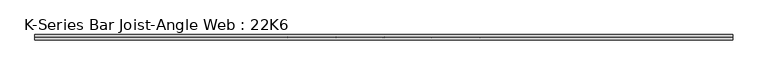
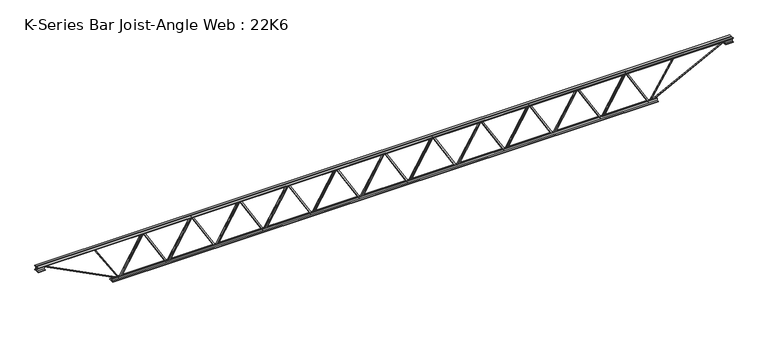
"""IFC4 building model written with IfcOpenShell, lengths in millimetres: beam geometry, K-Series Bar Joist-Angle Web : 22K6."""

from ifc_helpers import new_model, si_unit, frame, origin, place, context, project, spatial, polyline, outline, extrude, faceted_brep, source, transform, mapped, element, save


def k_series_bar_joist_angle_web_22k6_c5252af4(model_context):
    return source(origin(), model_context, "Body", "SolidModel", [
        extrude(outline(polyline([(-4.7625, 4.7625), (-4.7625, 0.0), (-17.4625, 0.0), (-17.4625, 4.7625), (-4.7625, 4.7625)])), frame((2917.960429, 0.0, -241.3), z_axis=(-0.5087293121266506, 0.0, 0.8609265282143099), x_axis=(0.0, -1.0, 0.0)), (0.0, 0.0, 1.0), 560.5588679),
        extrude(outline(polyline([(-276.225, 2950.3831818), (-257.175, 2950.3831818), (-257.175, 2949.4684346), (276.225, 2634.2775255), (276.225, 2616.1422727), (257.175, 2616.1422727), (257.175, 2623.40702), (-276.225, 2938.597929), (-276.225, 2950.3831818)])), frame((0.0, 0.0, 0.0), z_axis=(0.0, 1.0, 0.0), x_axis=(0.0, 0.0, 1.0)), (0.0, 0.0, 1.0), 4.7625),
        faceted_brep([(2294.6013636, 0.0, -257.175), (2294.6013636, 0.0, -276.225), (2294.6013636, -4.7625, -276.225), (2294.6013636, -4.7625, -257.175), (2295.5161109, 0.0, -257.175), (2610.70702, 0.0, 276.225), (2628.8422727, 0.0, 276.225), (2628.8422727, 0.0, 257.175), (2621.5775255, 0.0, 257.175), (2306.3866164, 0.0, -276.225), (2306.3866164, -4.7625, -276.225), (2327.0241164, -4.7625, -241.3), (2322.9239538, -4.7625, -238.8771767), (2608.0966811, -4.7625, 243.7228233), (2612.1968437, -4.7625, 241.3), (2621.5775255, -4.7625, 257.175), (2628.8422727, -4.7625, 257.175), (2628.8422727, -4.7625, 276.225), (2610.70702, -4.7625, 276.225), (2295.5161109, -4.7625, -257.175), (2612.1968437, -17.4625, 241.3), (2327.0241164, -17.4625, -241.3), (2322.9239538, -17.4625, -238.8771767), (2608.0966811, -17.4625, 243.7228233)], [[[0, 1, 2, 3]], [[1, 0, 4, 5, 6, 7, 8, 9]], [[2, 1, 9, 10]], [[3, 2, 10, 11, 12, 13, 14, 15, 16, 17, 18, 19]], [[0, 3, 19, 4]], [[9, 8, 15, 14, 20, 21, 11, 10]], [[5, 4, 19, 18]], [[7, 6, 17, 16]], [[8, 7, 16, 15]], [[6, 5, 18, 17]], [[21, 22, 12, 11]], [[20, 14, 13, 23]], [[22, 21, 20, 23]], [[12, 22, 23, 13]]]),
        extrude(outline(polyline([(-4.7625, 4.7625), (-4.7625, 0.0), (-17.4625, 0.0), (-17.4625, 4.7625), (-4.7625, 4.7625)])), frame((2262.3373609, 0.0, -241.3), z_axis=(-0.5087293121266506, 0.0, 0.8609265282143099), x_axis=(0.0, -1.0, 0.0)), (0.0, 0.0, 1.0), 560.5588679),
        extrude(outline(polyline([(-276.225, 2294.7601136), (-257.175, 2294.7601136), (-257.175, 2293.8453664), (276.225, 1978.6544573), (276.225, 1960.5192045), (257.175, 1960.5192045), (257.175, 1967.7839518), (-276.225, 2282.9748609), (-276.225, 2294.7601136)])), frame((0.0, 0.0, 0.0), z_axis=(0.0, 1.0, 0.0), x_axis=(0.0, 0.0, 1.0)), (0.0, 0.0, 1.0), 4.7625),
        faceted_brep([(1638.9782955, 0.0, -257.175), (1638.9782955, 0.0, -276.225), (1638.9782955, -4.7625, -276.225), (1638.9782955, -4.7625, -257.175), (1639.8930427, 0.0, -257.175), (1955.0839518, 0.0, 276.225), (1973.2192045, 0.0, 276.225), (1973.2192045, 0.0, 257.175), (1965.9544573, 0.0, 257.175), (1650.7635482, 0.0, -276.225), (1650.7635482, -4.7625, -276.225), (1671.4010482, -4.7625, -241.3), (1667.3008856, -4.7625, -238.8771767), (1952.4736129, -4.7625, 243.7228233), (1956.5737755, -4.7625, 241.3), (1965.9544573, -4.7625, 257.175), (1973.2192045, -4.7625, 257.175), (1973.2192045, -4.7625, 276.225), (1955.0839518, -4.7625, 276.225), (1639.8930427, -4.7625, -257.175), (1956.5737755, -17.4625, 241.3), (1671.4010482, -17.4625, -241.3), (1667.3008856, -17.4625, -238.8771767), (1952.4736129, -17.4625, 243.7228233)], [[[0, 1, 2, 3]], [[1, 0, 4, 5, 6, 7, 8, 9]], [[2, 1, 9, 10]], [[3, 2, 10, 11, 12, 13, 14, 15, 16, 17, 18, 19]], [[0, 3, 19, 4]], [[9, 8, 15, 14, 20, 21, 11, 10]], [[5, 4, 19, 18]], [[7, 6, 17, 16]], [[8, 7, 16, 15]], [[6, 5, 18, 17]], [[21, 22, 12, 11]], [[20, 14, 13, 23]], [[22, 21, 20, 23]], [[12, 22, 23, 13]]]),
        extrude(outline(polyline([(-4.7625, 4.7625), (-4.7625, 0.0), (-17.4625, 0.0), (-17.4625, 4.7625), (-4.7625, 4.7625)])), frame((1606.7142927, 0.0, -241.3), z_axis=(-0.5087293121266506, 0.0, 0.8609265282143099), x_axis=(0.0, -1.0, 0.0)), (0.0, 0.0, 1.0), 560.5588679),
        extrude(outline(polyline([(-276.225, 1639.1370455), (-257.175, 1639.1370455), (-257.175, 1638.2222982), (276.225, 1323.0313891), (276.225, 1304.8961364), (257.175, 1304.8961364), (257.175, 1312.1608836), (-276.225, 1627.3517927), (-276.225, 1639.1370455)])), frame((0.0, 0.0, 0.0), z_axis=(0.0, 1.0, 0.0), x_axis=(0.0, 0.0, 1.0)), (0.0, 0.0, 1.0), 4.7625),
        faceted_brep([(983.3552273, 0.0, -257.175), (983.3552273, 0.0, -276.225), (983.3552273, -4.7625, -276.225), (983.3552273, -4.7625, -257.175), (984.2699745, 0.0, -257.175), (1299.4608836, 0.0, 276.225), (1317.5961364, 0.0, 276.225), (1317.5961364, 0.0, 257.175), (1310.3313891, 0.0, 257.175), (995.14048, 0.0, -276.225), (995.14048, -4.7625, -276.225), (1015.77798, -4.7625, -241.3), (1011.6778175, -4.7625, -238.8771767), (1296.8505447, -4.7625, 243.7228233), (1300.9507073, -4.7625, 241.3), (1310.3313891, -4.7625, 257.175), (1317.5961364, -4.7625, 257.175), (1317.5961364, -4.7625, 276.225), (1299.4608836, -4.7625, 276.225), (984.2699745, -4.7625, -257.175), (1300.9507073, -17.4625, 241.3), (1015.77798, -17.4625, -241.3), (1011.6778175, -17.4625, -238.8771767), (1296.8505447, -17.4625, 243.7228233)], [[[0, 1, 2, 3]], [[1, 0, 4, 5, 6, 7, 8, 9]], [[2, 1, 9, 10]], [[3, 2, 10, 11, 12, 13, 14, 15, 16, 17, 18, 19]], [[0, 3, 19, 4]], [[9, 8, 15, 14, 20, 21, 11, 10]], [[5, 4, 19, 18]], [[7, 6, 17, 16]], [[8, 7, 16, 15]], [[6, 5, 18, 17]], [[21, 22, 12, 11]], [[20, 14, 13, 23]], [[22, 21, 20, 23]], [[12, 22, 23, 13]]]),
        extrude(outline(polyline([(-4.7625, 4.7625), (-4.7625, 0.0), (-17.4625, 0.0), (-17.4625, 4.7625), (-4.7625, 4.7625)])), frame((951.0912245, 0.0, -241.3), z_axis=(-0.5087293121266506, 0.0, 0.8609265282143099), x_axis=(0.0, -1.0, 0.0)), (0.0, 0.0, 1.0), 560.5588679),
        extrude(outline(polyline([(-276.225, 983.5139773), (-257.175, 983.5139773), (-257.175, 982.59923), (276.225, 667.408321), (276.225, 649.2730682), (257.175, 649.2730682), (257.175, 656.5378154), (-276.225, 971.7287245), (-276.225, 983.5139773)])), frame((0.0, 0.0, 0.0), z_axis=(0.0, 1.0, 0.0), x_axis=(0.0, 0.0, 1.0)), (0.0, 0.0, 1.0), 4.7625),
        faceted_brep([(327.7321591, 0.0, -257.175), (327.7321591, 0.0, -276.225), (327.7321591, -4.7625, -276.225), (327.7321591, -4.7625, -257.175), (328.6469063, 0.0, -257.175), (643.8378154, 0.0, 276.225), (661.9730682, 0.0, 276.225), (661.9730682, 0.0, 257.175), (654.708321, 0.0, 257.175), (339.5174119, 0.0, -276.225), (339.5174119, -4.7625, -276.225), (360.1549119, -4.7625, -241.3), (356.0547493, -4.7625, -238.8771767), (641.2274765, -4.7625, 243.7228233), (645.3276391, -4.7625, 241.3), (654.708321, -4.7625, 257.175), (661.9730682, -4.7625, 257.175), (661.9730682, -4.7625, 276.225), (643.8378154, -4.7625, 276.225), (328.6469063, -4.7625, -257.175), (645.3276391, -17.4625, 241.3), (360.1549119, -17.4625, -241.3), (356.0547493, -17.4625, -238.8771767), (641.2274765, -17.4625, 243.7228233)], [[[0, 1, 2, 3]], [[1, 0, 4, 5, 6, 7, 8, 9]], [[2, 1, 9, 10]], [[3, 2, 10, 11, 12, 13, 14, 15, 16, 17, 18, 19]], [[0, 3, 19, 4]], [[9, 8, 15, 14, 20, 21, 11, 10]], [[5, 4, 19, 18]], [[7, 6, 17, 16]], [[8, 7, 16, 15]], [[6, 5, 18, 17]], [[21, 22, 12, 11]], [[20, 14, 13, 23]], [[22, 21, 20, 23]], [[12, 22, 23, 13]]]),
        extrude(outline(polyline([(-4.7625, 4.7625), (-4.7625, 0.0), (-17.4625, 0.0), (-17.4625, 4.7625), (-4.7625, 4.7625)])), frame((295.4681563, 0.0, -241.3), z_axis=(-0.5087293121266506, 0.0, 0.8609265282143099), x_axis=(0.0, -1.0, 0.0)), (0.0, 0.0, 1.0), 560.5588679),
        extrude(outline(polyline([(-276.225, 327.8909091), (-257.175, 327.8909091), (-257.175, 326.9761619), (276.225, 11.7852528), (276.225, -6.35), (257.175, -6.35), (257.175, 0.9147472), (-276.225, 316.1056563), (-276.225, 327.8909091)])), frame((0.0, 0.0, 0.0), z_axis=(0.0, 1.0, 0.0), x_axis=(0.0, 0.0, 1.0)), (0.0, 0.0, 1.0), 4.7625),
        faceted_brep([(-327.8909091, 0.0, -257.175), (-327.8909091, 0.0, -276.225), (-327.8909091, -4.7625, -276.225), (-327.8909091, -4.7625, -257.175), (-326.9761619, 0.0, -257.175), (-11.7852528, 0.0, 276.225), (6.35, 0.0, 276.225), (6.35, 0.0, 257.175), (-0.9147472, 0.0, 257.175), (-316.1056563, 0.0, -276.225), (-316.1056563, -4.7625, -276.225), (-295.4681563, -4.7625, -241.3), (-299.5683189, -4.7625, -238.8771767), (-14.3955916, -4.7625, 243.7228233), (-10.295429, -4.7625, 241.3), (-0.9147472, -4.7625, 257.175), (6.35, -4.7625, 257.175), (6.35, -4.7625, 276.225), (-11.7852528, -4.7625, 276.225), (-326.9761619, -4.7625, -257.175), (-10.295429, -17.4625, 241.3), (-295.4681563, -17.4625, -241.3), (-299.5683189, -17.4625, -238.8771767), (-14.3955916, -17.4625, 243.7228233)], [[[0, 1, 2, 3]], [[1, 0, 4, 5, 6, 7, 8, 9]], [[2, 1, 9, 10]], [[3, 2, 10, 11, 12, 13, 14, 15, 16, 17, 18, 19]], [[0, 3, 19, 4]], [[9, 8, 15, 14, 20, 21, 11, 10]], [[5, 4, 19, 18]], [[7, 6, 17, 16]], [[8, 7, 16, 15]], [[6, 5, 18, 17]], [[21, 22, 12, 11]], [[20, 14, 13, 23]], [[22, 21, 20, 23]], [[12, 22, 23, 13]]]),
        extrude(outline(polyline([(-4.7625, 4.7625), (-4.7625, 0.0), (-17.4625, 0.0), (-17.4625, 4.7625), (-4.7625, 4.7625)])), frame((-360.1549119, 0.0, -241.3), z_axis=(-0.5087293121266506, 0.0, 0.8609265282143099), x_axis=(0.0, -1.0, 0.0)), (0.0, 0.0, 1.0), 560.5588679),
        extrude(outline(polyline([(-276.225, -327.7321591), (-257.175, -327.7321591), (-257.175, -328.6469063), (276.225, -643.8378154), (276.225, -661.9730682), (257.175, -661.9730682), (257.175, -654.708321), (-276.225, -339.5174119), (-276.225, -327.7321591)])), frame((0.0, 0.0, 0.0), z_axis=(0.0, 1.0, 0.0), x_axis=(0.0, 0.0, 1.0)), (0.0, 0.0, 1.0), 4.7625),
        faceted_brep([(-983.5139773, 0.0, -257.175), (-983.5139773, 0.0, -276.225), (-983.5139773, -4.7625, -276.225), (-983.5139773, -4.7625, -257.175), (-982.59923, 0.0, -257.175), (-667.408321, 0.0, 276.225), (-649.2730682, 0.0, 276.225), (-649.2730682, 0.0, 257.175), (-656.5378154, 0.0, 257.175), (-971.7287245, 0.0, -276.225), (-971.7287245, -4.7625, -276.225), (-951.0912245, -4.7625, -241.3), (-955.1913871, -4.7625, -238.8771767), (-670.0186598, -4.7625, 243.7228233), (-665.9184972, -4.7625, 241.3), (-656.5378154, -4.7625, 257.175), (-649.2730682, -4.7625, 257.175), (-649.2730682, -4.7625, 276.225), (-667.408321, -4.7625, 276.225), (-982.59923, -4.7625, -257.175), (-665.9184972, -17.4625, 241.3), (-951.0912245, -17.4625, -241.3), (-955.1913871, -17.4625, -238.8771767), (-670.0186598, -17.4625, 243.7228233)], [[[0, 1, 2, 3]], [[1, 0, 4, 5, 6, 7, 8, 9]], [[2, 1, 9, 10]], [[3, 2, 10, 11, 12, 13, 14, 15, 16, 17, 18, 19]], [[0, 3, 19, 4]], [[9, 8, 15, 14, 20, 21, 11, 10]], [[5, 4, 19, 18]], [[7, 6, 17, 16]], [[8, 7, 16, 15]], [[6, 5, 18, 17]], [[21, 22, 12, 11]], [[20, 14, 13, 23]], [[22, 21, 20, 23]], [[12, 22, 23, 13]]]),
        extrude(outline(polyline([(-4.7625, 4.7624999), (-4.7625, 0.0), (-17.4625, 0.0), (-17.4625, 4.7624999), (-4.7625, 4.7624999)])), frame((-1015.77798, 0.0, -241.3), z_axis=(-0.5087293121266506, 0.0, 0.8609265282143099), x_axis=(0.0, -1.0, 0.0)), (0.0, 0.0, 1.0), 560.5588679),
        extrude(outline(polyline([(-276.225, -983.3552273), (-257.175, -983.3552273), (-257.175, -984.2699745), (276.225, -1299.4608836), (276.225, -1317.5961364), (257.175, -1317.5961364), (257.175, -1310.3313891), (-276.225, -995.14048), (-276.225, -983.3552273)])), frame((0.0, 0.0, 0.0), z_axis=(0.0, 1.0, 0.0), x_axis=(0.0, 0.0, 1.0)), (0.0, 0.0, 1.0), 4.7625),
        faceted_brep([(-1639.1370455, 0.0, -257.175), (-1639.1370455, 0.0, -276.225), (-1639.1370455, -4.7625, -276.225), (-1639.1370455, -4.7625, -257.175), (-1638.2222982, 0.0, -257.175), (-1323.0313891, 0.0, 276.225), (-1304.8961364, 0.0, 276.225), (-1304.8961364, 0.0, 257.175), (-1312.1608836, 0.0, 257.175), (-1627.3517927, 0.0, -276.225), (-1627.3517927, -4.7625, -276.225), (-1606.7142927, -4.7625, -241.3), (-1610.8144553, -4.7625, -238.8771767), (-1325.641728, -4.7625, 243.7228233), (-1321.5415654, -4.7625, 241.3), (-1312.1608836, -4.7625, 257.175), (-1304.8961364, -4.7625, 257.175), (-1304.8961364, -4.7625, 276.225), (-1323.0313891, -4.7625, 276.225), (-1638.2222982, -4.7625, -257.175), (-1321.5415654, -17.4625, 241.3), (-1606.7142927, -17.4625, -241.3), (-1610.8144553, -17.4625, -238.8771767), (-1325.641728, -17.4625, 243.7228233)], [[[0, 1, 2, 3]], [[1, 0, 4, 5, 6, 7, 8, 9]], [[2, 1, 9, 10]], [[3, 2, 10, 11, 12, 13, 14, 15, 16, 17, 18, 19]], [[0, 3, 19, 4]], [[9, 8, 15, 14, 20, 21, 11, 10]], [[5, 4, 19, 18]], [[7, 6, 17, 16]], [[8, 7, 16, 15]], [[6, 5, 18, 17]], [[21, 22, 12, 11]], [[20, 14, 13, 23]], [[22, 21, 20, 23]], [[12, 22, 23, 13]]]),
        extrude(outline(polyline([(-4.7625, 4.7625), (-4.7625, 0.0), (-17.4625, 0.0), (-17.4625, 4.7625), (-4.7625, 4.7625)])), frame((-1671.4010482, 0.0, -241.3), z_axis=(-0.5087293121266506, 0.0, 0.8609265282143099), x_axis=(0.0, -1.0, 0.0)), (0.0, 0.0, 1.0), 560.5588679),
        extrude(outline(polyline([(-276.225, -1638.9782955), (-257.175, -1638.9782955), (-257.175, -1639.8930427), (276.225, -1955.0839518), (276.225, -1973.2192045), (257.175, -1973.2192045), (257.175, -1965.9544573), (-276.225, -1650.7635482), (-276.225, -1638.9782955)])), frame((0.0, 0.0, 0.0), z_axis=(0.0, 1.0, 0.0), x_axis=(0.0, 0.0, 1.0)), (0.0, 0.0, 1.0), 4.7625),
        faceted_brep([(-2294.7601136, 0.0, -257.175), (-2294.7601136, 0.0, -276.225), (-2294.7601136, -4.7625, -276.225), (-2294.7601136, -4.7625, -257.175), (-2293.8453664, 0.0, -257.175), (-1978.6544573, 0.0, 276.225), (-1960.5192045, 0.0, 276.225), (-1960.5192045, 0.0, 257.175), (-1967.7839518, 0.0, 257.175), (-2282.9748609, 0.0, -276.225), (-2282.9748609, -4.7625, -276.225), (-2262.3373609, -4.7625, -241.3), (-2266.4375235, -4.7625, -238.8771767), (-1981.2647962, -4.7625, 243.7228233), (-1977.1646336, -4.7625, 241.3), (-1967.7839518, -4.7625, 257.175), (-1960.5192045, -4.7625, 257.175), (-1960.5192045, -4.7625, 276.225), (-1978.6544573, -4.7625, 276.225), (-2293.8453664, -4.7625, -257.175), (-1977.1646336, -17.4625, 241.3), (-2262.3373609, -17.4625, -241.3), (-2266.4375235, -17.4625, -238.8771767), (-1981.2647962, -17.4625, 243.7228233)], [[[0, 1, 2, 3]], [[1, 0, 4, 5, 6, 7, 8, 9]], [[2, 1, 9, 10]], [[3, 2, 10, 11, 12, 13, 14, 15, 16, 17, 18, 19]], [[0, 3, 19, 4]], [[9, 8, 15, 14, 20, 21, 11, 10]], [[5, 4, 19, 18]], [[7, 6, 17, 16]], [[8, 7, 16, 15]], [[6, 5, 18, 17]], [[21, 22, 12, 11]], [[20, 14, 13, 23]], [[22, 21, 20, 23]], [[12, 22, 23, 13]]]),
        extrude(outline(polyline([(-4.7625, 4.7625), (-4.7625, 0.0), (-17.4625, 0.0), (-17.4625, 4.7625), (-4.7625, 4.7625)])), frame((-2327.0241164, 0.0, -241.3), z_axis=(-0.5087293121266506, 0.0, 0.8609265282143099), x_axis=(0.0, -1.0, 0.0)), (0.0, 0.0, 1.0), 560.5588679),
        extrude(outline(polyline([(-276.225, -2294.6013636), (-257.175, -2294.6013636), (-257.175, -2295.5161109), (276.225, -2610.70702), (276.225, -2628.8422727), (257.175, -2628.8422727), (257.175, -2621.5775255), (-276.225, -2306.3866164), (-276.225, -2294.6013636)])), frame((0.0, 0.0, 0.0), z_axis=(0.0, 1.0, 0.0), x_axis=(0.0, 0.0, 1.0)), (0.0, 0.0, 1.0), 4.7625),
        faceted_brep([(-2950.3831818, 0.0, -257.175), (-2950.3831818, 0.0, -276.225), (-2950.3831818, -4.7625, -276.225), (-2950.3831818, -4.7625, -257.175), (-2949.4684346, 0.0, -257.175), (-2634.2775255, 0.0, 276.225), (-2616.1422727, 0.0, 276.225), (-2616.1422727, 0.0, 257.175), (-2623.40702, 0.0, 257.175), (-2938.597929, 0.0, -276.225), (-2938.597929, -4.7625, -276.225), (-2917.960429, -4.7625, -241.3), (-2922.0605916, -4.7625, -238.8771767), (-2636.8878644, -4.7625, 243.7228233), (-2632.7877018, -4.7625, 241.3), (-2623.40702, -4.7625, 257.175), (-2616.1422727, -4.7625, 257.175), (-2616.1422727, -4.7625, 276.225), (-2634.2775255, -4.7625, 276.225), (-2949.4684346, -4.7625, -257.175), (-2632.7877018, -17.4625, 241.3), (-2917.960429, -17.4625, -241.3), (-2922.0605916, -17.4625, -238.8771767), (-2636.8878644, -17.4625, 243.7228233)], [[[0, 1, 2, 3]], [[1, 0, 4, 5, 6, 7, 8, 9]], [[2, 1, 9, 10]], [[3, 2, 10, 11, 12, 13, 14, 15, 16, 17, 18, 19]], [[0, 3, 19, 4]], [[9, 8, 15, 14, 20, 21, 11, 10]], [[5, 4, 19, 18]], [[7, 6, 17, 16]], [[8, 7, 16, 15]], [[6, 5, 18, 17]], [[21, 22, 12, 11]], [[20, 14, 13, 23]], [[22, 21, 20, 23]], [[12, 22, 23, 13]]]),
        extrude(outline(polyline([(-4.7625, 4.7625), (-4.7625, 0.0), (-17.4625, 0.0), (-17.4625, 4.7625), (-4.7625, 4.7625)])), frame((3573.5834972, 0.0, -241.3), z_axis=(-0.5087293121266506, 0.0, 0.8609265282143099), x_axis=(0.0, -1.0, 0.0)), (0.0, 0.0, 1.0), 560.5588679),
        extrude(outline(polyline([(-276.225, 3606.00625), (-257.175, 3606.00625), (-257.175, 3605.0915028), (276.225, 3289.9005937), (276.225, 3271.7653409), (257.175, 3271.7653409), (257.175, 3279.0300881), (-276.225, 3594.2209972), (-276.225, 3606.00625)])), frame((0.0, 0.0, 0.0), z_axis=(0.0, 1.0, 0.0), x_axis=(0.0, 0.0, 1.0)), (0.0, 0.0, 1.0), 4.7625),
        faceted_brep([(2950.2244318, 0.0, -257.175), (2950.2244318, 0.0, -276.225), (2950.2244318, -4.7625, -276.225), (2950.2244318, -4.7625, -257.175), (2951.139179, 0.0, -257.175), (3266.3300881, 0.0, 276.225), (3284.4653409, 0.0, 276.225), (3284.4653409, 0.0, 257.175), (3277.2005937, 0.0, 257.175), (2962.0096846, 0.0, -276.225), (2962.0096846, -4.7625, -276.225), (2982.6471846, -4.7625, -241.3), (2978.547022, -4.7625, -238.8771767), (3263.7197493, -4.7625, 243.7228233), (3267.8199119, -4.7625, 241.3), (3277.2005937, -4.7625, 257.175), (3284.4653409, -4.7625, 257.175), (3284.4653409, -4.7625, 276.225), (3266.3300881, -4.7625, 276.225), (2951.139179, -4.7625, -257.175), (3267.8199119, -17.4625, 241.3), (2982.6471846, -17.4625, -241.3), (2978.547022, -17.4625, -238.8771767), (3263.7197493, -17.4625, 243.7228233)], [[[0, 1, 2, 3]], [[1, 0, 4, 5, 6, 7, 8, 9]], [[2, 1, 9, 10]], [[3, 2, 10, 11, 12, 13, 14, 15, 16, 17, 18, 19]], [[0, 3, 19, 4]], [[9, 8, 15, 14, 20, 21, 11, 10]], [[5, 4, 19, 18]], [[7, 6, 17, 16]], [[8, 7, 16, 15]], [[6, 5, 18, 17]], [[21, 22, 12, 11]], [[20, 14, 13, 23]], [[22, 21, 20, 23]], [[12, 22, 23, 13]]]),
        extrude(outline(polyline([(-4.7625, 4.7625), (-4.7625, 0.0), (-17.4625, 0.0), (-17.4625, 4.7625), (-4.7625, 4.7625)])), frame((-2982.6471846, 0.0, -241.3), z_axis=(-0.5087293121266506, 0.0, 0.8609265282143099), x_axis=(0.0, -1.0, 0.0)), (0.0, 0.0, 1.0), 560.5588679),
        extrude(outline(polyline([(-276.225, -2950.2244318), (-257.175, -2950.2244318), (-257.175, -2951.139179), (276.225, -3266.3300881), (276.225, -3284.4653409), (257.175, -3284.4653409), (257.175, -3277.2005937), (-276.225, -2962.0096846), (-276.225, -2950.2244318)])), frame((0.0, 0.0, 0.0), z_axis=(0.0, 1.0, 0.0), x_axis=(0.0, 0.0, 1.0)), (0.0, 0.0, 1.0), 4.7625),
        faceted_brep([(-3606.00625, 0.0, -257.175), (-3606.00625, 0.0, -276.225), (-3606.00625, -4.7625, -276.225), (-3606.00625, -4.7625, -257.175), (-3605.0915028, 0.0, -257.175), (-3289.9005937, 0.0, 276.225), (-3271.7653409, 0.0, 276.225), (-3271.7653409, 0.0, 257.175), (-3279.0300881, 0.0, 257.175), (-3594.2209972, 0.0, -276.225), (-3594.2209972, -4.7625, -276.225), (-3573.5834972, -4.7625, -241.3), (-3577.6836598, -4.7625, -238.8771767), (-3292.5109325, -4.7625, 243.7228233), (-3288.41077, -4.7625, 241.3), (-3279.0300881, -4.7625, 257.175), (-3271.7653409, -4.7625, 257.175), (-3271.7653409, -4.7625, 276.225), (-3289.9005937, -4.7625, 276.225), (-3605.0915028, -4.7625, -257.175), (-3288.41077, -17.4625, 241.3), (-3573.5834972, -17.4625, -241.3), (-3577.6836598, -17.4625, -238.8771767), (-3292.5109325, -17.4625, 243.7228233)], [[[0, 1, 2, 3]], [[1, 0, 4, 5, 6, 7, 8, 9]], [[2, 1, 9, 10]], [[3, 2, 10, 11, 12, 13, 14, 15, 16, 17, 18, 19]], [[0, 3, 19, 4]], [[9, 8, 15, 14, 20, 21, 11, 10]], [[5, 4, 19, 18]], [[7, 6, 17, 16]], [[8, 7, 16, 15]], [[6, 5, 18, 17]], [[21, 22, 12, 11]], [[20, 14, 13, 23]], [[22, 21, 20, 23]], [[12, 22, 23, 13]]]),
        extrude(outline(polyline([(4.7625, 279.4), (36.5125, 279.4), (36.5125, 273.05), (11.1125, 273.05), (11.1125, 247.65), (4.7625, 247.65), (4.7625, 279.4)])), frame((-4723.60625, 0.0, 0.0), z_axis=(1.0, 0.0, 0.0), x_axis=(0.0, 1.0, 0.0)), (0.0, 0.0, 1.0), 9447.2125),
        extrude(outline(polyline([(-4.7625, 279.4), (-4.7625, 247.65), (-11.1125, 247.65), (-11.1125, 273.05), (-36.5125, 273.05), (-36.5125, 279.4), (-4.7625, 279.4)])), frame((-4723.60625, 0.0, 0.0), z_axis=(1.0, 0.0, 0.0), x_axis=(0.0, 1.0, 0.0)), (0.0, 0.0, 1.0), 9447.2125),
        extrude(outline(polyline([(-4.7625, 215.9), (-36.5125, 215.9), (-36.5125, 222.25), (-11.1125, 222.25), (-11.1125, 247.65), (-4.7625, 247.65), (-4.7625, 215.9)])), frame((-4723.60625, 0.0, 0.0), z_axis=(1.0, 0.0, 0.0), x_axis=(0.0, 1.0, 0.0)), (0.0, 0.0, 1.0), 101.6),
        extrude(outline(polyline([(36.5125, 215.9), (4.7625, 215.9), (4.7625, 247.65), (11.1125, 247.65), (11.1125, 222.25), (36.5125, 222.25), (36.5125, 215.9)])), frame((-4723.60625, 0.0, 0.0), z_axis=(1.0, 0.0, 0.0), x_axis=(0.0, 1.0, 0.0)), (0.0, 0.0, 1.0), 101.6),
        extrude(outline(polyline([(4.7625, 215.9), (4.7625, 247.65), (11.1125, 247.65), (11.1125, 222.25), (36.5125, 222.25), (36.5125, 215.9), (4.7625, 215.9)])), frame((4622.00625, 0.0, 0.0), z_axis=(1.0, 0.0, 0.0), x_axis=(0.0, 1.0, 0.0)), (0.0, 0.0, 1.0), 101.6),
        extrude(outline(polyline([(-4.7625, 215.9), (-36.5125, 215.9), (-36.5125, 222.25), (-11.1125, 222.25), (-11.1125, 247.65), (-4.7625, 247.65), (-4.7625, 215.9)])), frame((4622.00625, 0.0, 0.0), z_axis=(1.0, 0.0, 0.0), x_axis=(0.0, 1.0, 0.0)), (0.0, 0.0, 1.0), 101.6),
        extrude(outline(polyline([(4.7625, -279.4), (4.7625, -247.65), (11.1125, -247.65), (11.1125, -273.05), (36.5125, -273.05), (36.5125, -279.4), (4.7625, -279.4)])), frame((-3707.60625, 0.0, 0.0), z_axis=(1.0, 0.0, 0.0), x_axis=(0.0, 1.0, 0.0)), (0.0, 0.0, 1.0), 7415.2125),
        extrude(outline(polyline([(-4.7625, -279.4), (-36.5125, -279.4), (-36.5125, -273.05), (-11.1125, -273.05), (-11.1125, -247.65), (-4.7625, -247.65), (-4.7625, -279.4)])), frame((-3707.60625, 0.0, 0.0), z_axis=(1.0, 0.0, 0.0), x_axis=(0.0, 1.0, 0.0)), (0.0, 0.0, 1.0), 7415.2125),
        extrude(outline(polyline([(4.7625, 4.7625), (4.7625, -4.7625), (-4.7625, -4.7625), (-4.7625, 4.7625), (4.7625, 4.7625)])), frame((3606.00625, 0.0, -273.05), z_axis=(0.5328630325310671, 0.0, 0.8462015058848542), x_axis=(0.0, -1.0, 0.0)), (0.0, 0.0, 1.0), 615.3380683),
        extrude(outline(polyline([(4.7625, 4.7625), (4.7625, -4.7625), (-4.7625, -4.7625), (-4.7625, 4.7625), (4.7625, 4.7625)])), frame((-3606.00625, 0.0, -273.05), z_axis=(-0.532863032531045, 0.0, 0.8462015058848681), x_axis=(0.0, -1.0, 0.0)), (0.0, 0.0, 1.0), 615.3380683),
        extrude(outline(polyline([(0.0, -9.525), (0.0, 0.0), (1141.6586574, 0.0), (1141.6586574, -9.525), (0.0, -9.525)])), frame((4624.1783824, -4.7625, 243.4116929), z_axis=(-0.45609079091008997, 0.0, 0.8899332505570341), x_axis=(-0.8899332505570341, 0.0, -0.45609079091008997)), (0.0, 0.0, 1.0), 9.525),
        extrude(outline(polyline([(0.0, -9.525), (0.0, 0.0), (1141.6586574, 0.0), (1141.6586574, -9.525), (0.0, -9.525)])), frame((-4624.1783824, 4.7625, 243.4116929), z_axis=(0.4560907909100891, 0.0, 0.8899332505570344), x_axis=(0.8899332505570344, 0.0, -0.4560907909100891)), (0.0, 0.0, 1.0), 9.525),
    ])


if __name__ == "__main__":
    model = new_model("IFC4")
    model_context = context("Model", 3, world=origin())
    ifc_project = project(units=[si_unit("LENGTHUNIT", "METRE", prefix="MILLI")], contexts=[model_context])
    site = spatial("IfcSite", under=ifc_project)
    building = spatial("IfcBuilding", under=site)
    placement = place(None, origin())
    k_series_bar_joist_angle_web_22k6_shape = k_series_bar_joist_angle_web_22k6_c5252af4(model_context)
    element("IfcBeam", 1, ObjectType="K-Series Bar Joist-Angle Web : 22K6", at=placement, inside=building, context=model_context, shape_type="MappedRepresentation", body=[
        mapped(k_series_bar_joist_angle_web_22k6_shape, transform((0.0, 0.0, 0.0), x_axis=(1.0, 0.0, 0.0), y_axis=(0.0, 1.0, 0.0), z_axis=(0.0, 0.0, 1.0))),
    ])
    save(model, "model.ifc")
